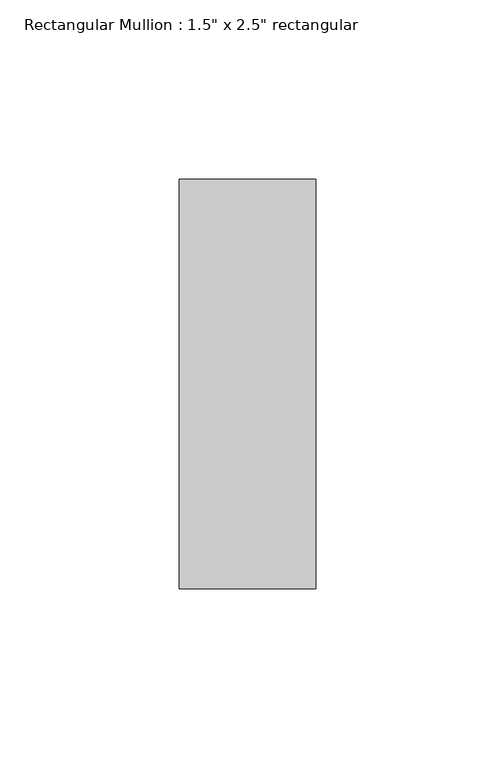
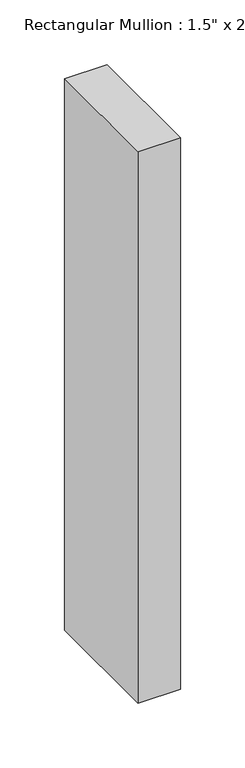
"""IFC4 building model written with IfcOpenShell, lengths in millimetres: member geometry."""

from ifc_helpers import new_model, si_unit, frame, origin, place, context, project, spatial, polyline, outline, extrude, source, transform, mapped, element, save


def member_49c7708d(model_context):
    return source(origin(), model_context, "Body", "SweptSolid", [
        extrude(outline(polyline([(19.05, 57.15), (19.05, -57.15), (-19.05, -57.15), (-19.05, 57.15), (19.05, 57.15)])), frame((0.0, 0.0, -521.49375), z_axis=(0.0, 0.0, 1.0), x_axis=(1.0, 0.0, 0.0)), (0.0, 0.0, 1.0), 521.49375),
    ])


if __name__ == "__main__":
    model = new_model("IFC4")
    model_context = context("Model", 3, world=origin())
    ifc_project = project(units=[si_unit("LENGTHUNIT", "METRE", prefix="MILLI")], contexts=[model_context])
    site = spatial("IfcSite", under=ifc_project)
    building = spatial("IfcBuilding", under=site)
    placement = place(None, origin())
    member_shape = member_49c7708d(model_context)
    element("IfcMember", 1, ObjectType="Rectangular Mullion : 1.5\" x 2.5\" rectangular", at=placement, inside=building, context=model_context, shape_type="MappedRepresentation", body=[
        mapped(member_shape, transform((0.0, 0.0, 0.0), x_axis=(1.0, 0.0, 0.0), y_axis=(0.0, 1.0, 0.0), z_axis=(0.0, 0.0, 1.0))),
    ])
    save(model, "model.ifc")
